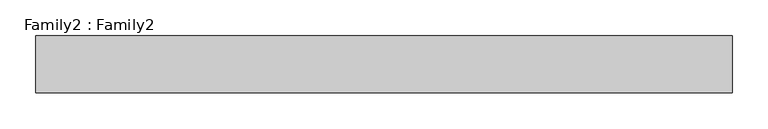
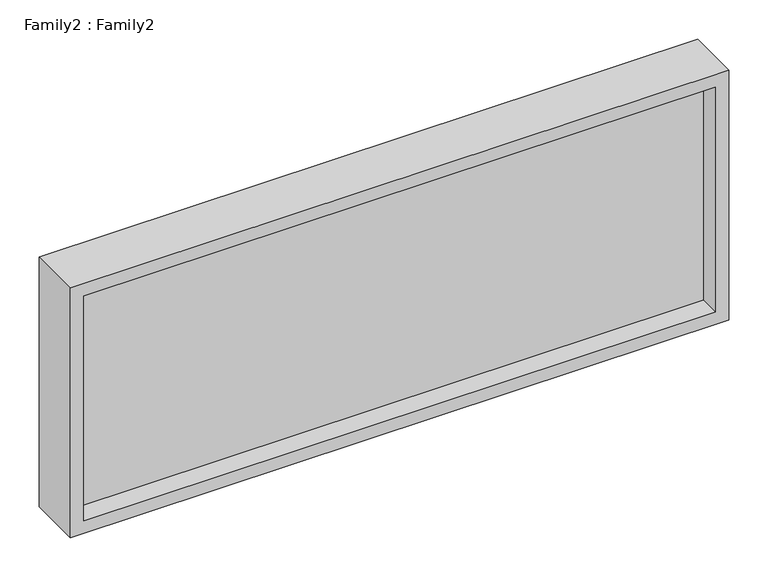
"""IFC4 building model written with IfcOpenShell, lengths in millimetres: plate geometry, Family2 : Family2."""

from ifc_helpers import new_model, si_unit, frame, origin, place, context, project, spatial, polyline, outline, extrude, source, transform, mapped, element, save


def family2_family2_b99957c2(model_context):
    return source(origin(), model_context, "Body", "SweptSolid", [
        extrude(outline(polyline([(391.6666667, -487.5), (0.0, -487.5), (0.0, 487.5), (391.6666667, 487.5), (391.6666667, -487.5)]), holes=[polyline([(20.0, -467.5), (371.6666667, -467.5), (371.6666667, 467.5), (20.0, 467.5), (20.0, -467.5)])]), frame((0.0, -40.0, 0.0), z_axis=(0.0, 1.0, 0.0), x_axis=(0.0, 0.0, 1.0)), (0.0, 0.0, 1.0), 80.0),
        extrude(outline(polyline([(467.5, -10.0), (-467.5, -10.0), (-467.5, 10.0), (467.5, 10.0), (467.5, -10.0)])), frame((0.0, 0.0, 20.0), z_axis=(0.0, 0.0, 1.0), x_axis=(1.0, 0.0, 0.0)), (0.0, 0.0, 1.0), 351.6666667),
    ])


if __name__ == "__main__":
    model = new_model("IFC4")
    model_context = context("Model", 3, world=origin())
    ifc_project = project(units=[si_unit("LENGTHUNIT", "METRE", prefix="MILLI")], contexts=[model_context])
    site = spatial("IfcSite", under=ifc_project)
    building = spatial("IfcBuilding", under=site)
    placement = place(None, origin())
    family2_family2_shape = family2_family2_b99957c2(model_context)
    element("IfcPlate", 1, ObjectType="Family2 : Family2", at=placement, inside=building, context=model_context, shape_type="MappedRepresentation", body=[
        mapped(family2_family2_shape, transform((0.0, 0.0, 0.0), x_axis=(1.0, 0.0, 0.0), y_axis=(0.0, 1.0, 0.0), z_axis=(0.0, 0.0, 1.0))),
    ])
    save(model, "model.ifc")
